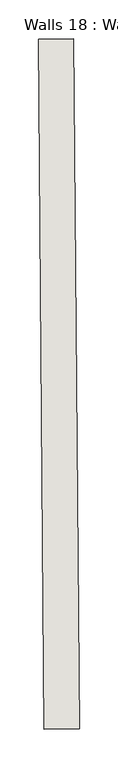
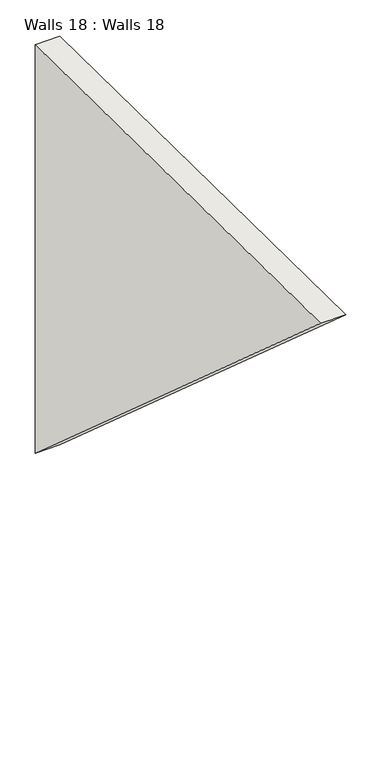
"""IFC4 building model written with IfcOpenShell, lengths in millimetres: wall geometry, Walls 18 : Walls 18."""

from ifc_helpers import new_model, si_unit, frame, origin, place, context, project, spatial, polyline, outline, extrude, source, transform, mapped, element, save


def walls_18_walls_18_81f4807f(model_context):
    return source(origin(), model_context, "Body", "SweptSolid", [
        extrude(outline(polyline([(-0.9435368, 0.0), (-789.1997268, -890.9615466), (-789.1997268, 0.0), (-0.9435368, 0.0)])), frame((-44466.7664132, 49112.4924774, 109816.3353813), z_axis=(0.9999664595954167, 0.00819021881317549, 0.0), x_axis=(0.0, 0.0, -1.0)), (0.0, 0.0, 1.0), 45.501683),
    ])


if __name__ == "__main__":
    model = new_model("IFC4")
    model_context = context("Model", 3, world=origin())
    ifc_project = project(units=[si_unit("LENGTHUNIT", "METRE", prefix="MILLI")], contexts=[model_context])
    site = spatial("IfcSite", under=ifc_project)
    building = spatial("IfcBuilding", under=site)
    placement = place(None, origin())
    walls_18_walls_18_shape = walls_18_walls_18_81f4807f(model_context)
    element("IfcWall", 1, ObjectType="Walls 18 : Walls 18", at=placement, inside=building, context=model_context, shape_type="MappedRepresentation", body=[
        mapped(walls_18_walls_18_shape, transform((0.0, 0.0, 0.0), x_axis=(1.0, 0.0, 0.0), y_axis=(0.0, 1.0, 0.0), z_axis=(0.0, 0.0, 1.0))),
    ])
    save(model, "model.ifc")
